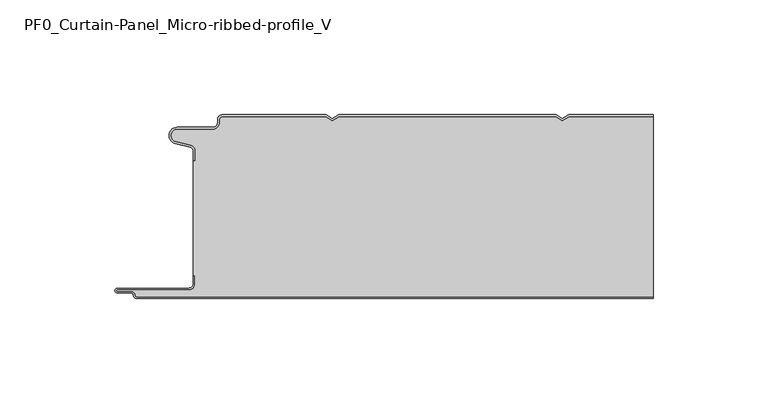
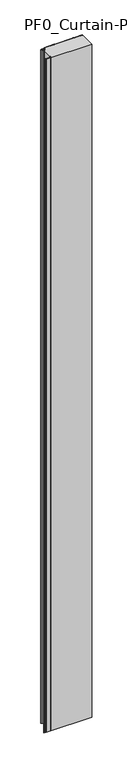
"""IFC4 building model written with IfcOpenShell, lengths in millimetres: plate geometry, PF0_Curtain-Panel_Micro-ribbed-profile_V."""

from ifc_helpers import new_model, si_unit, point, frame_2d, origin, origin_with_axes, place, context, project, spatial, polyline, circle_curve, trimmed, segment, composite_curve, outline, extrude, source, transform, mapped, element, save


def pf0_curtain_panel_micro_ribbed_profile_v_2d41a01c(model_context):
    return source(origin(), model_context, "Body", "SweptSolid", [
        extrude(outline(composite_curve([segment(trimmed(circle_curve(frame_2d((-102.0, -15.878557)), 2.0), [point((-100.0, -15.878557))], [point((-101.5500978, -13.9298169))], True, "CARTESIAN"), True, "CONTINUOUS"), segment(polyline([(-101.5500978, -13.9298169), (-107.7098239, -12.507732)]), True, "CONTINUOUS"), segment(trimmed(circle_curve(frame_2d((-106.9, -9.0)), 3.6), [point((-107.7098239, -12.507732))], [point((-106.9, -5.4))], False, "CARTESIAN"), True, "CONTINUOUS"), segment(polyline([(-106.9, -5.4), (-91.4, -5.4)]), True, "CONTINUOUS"), segment(trimmed(circle_curve(frame_2d((-91.4, -3.4)), 2.0), [point((-91.4, -5.4))], [point((-89.4, -3.4))], True, "CARTESIAN"), True, "CONTINUOUS"), segment(polyline([(-89.4, -3.4), (-89.4, -2.0)]), True, "CONTINUOUS"), segment(trimmed(circle_curve(frame_2d((-87.4, -2.0)), 2.0), [point((-89.4, -2.0))], [point((-87.4, 0.0))], False, "CARTESIAN"), True, "CONTINUOUS"), segment(polyline([(-87.4, 0.0), (-42.0999995, 0.0), (-39.4, -1.5588455), (-36.7000005, 0.0), (57.9000005, 0.0), (60.6, -1.5588455), (63.2999995, 0.0), (100.0, 0.0), (100.0, -0.8), (63.5143588, -0.8), (60.6, -2.482606), (57.6856412, -0.8), (-36.4856412, -0.8), (-39.4, -2.482606), (-42.3143588, -0.8), (-87.4, -0.8)]), True, "CONTINUOUS"), segment(trimmed(circle_curve(frame_2d((-87.4, -2.0)), 1.2), [point((-87.4, -0.8))], [point((-88.6, -2.0))], True, "CARTESIAN"), True, "CONTINUOUS"), segment(polyline([(-88.6, -2.0), (-88.6, -3.4)]), True, "CONTINUOUS"), segment(trimmed(circle_curve(frame_2d((-91.4, -3.4)), 2.8), [point((-88.6, -3.4))], [point((-91.4, -6.2))], False, "CARTESIAN"), True, "CONTINUOUS"), segment(polyline([(-91.4, -6.2), (-106.9, -6.2)]), True, "CONTINUOUS"), segment(trimmed(circle_curve(frame_2d((-106.9, -9.0)), 2.8), [point((-106.9, -6.2))], [point((-107.529863, -11.7282362))], True, "CARTESIAN"), True, "CONTINUOUS"), segment(polyline([(-107.529863, -11.7282362), (-101.370137, -13.150321)]), True, "CONTINUOUS"), segment(trimmed(circle_curve(frame_2d((-102.0, -15.878557)), 2.8), [point((-101.370137, -13.150321))], [point((-99.2, -15.878557))], False, "CARTESIAN"), True, "CONTINUOUS"), segment(polyline([(-99.2, -15.878557), (-99.2, -20.0), (-100.0, -20.0), (-100.0, -15.878557)]), True, "CONTINUOUS")], self_intersect=False)), origin_with_axes(), (0.0, 0.0, 1.0), 3500.0),
        extrude(outline(composite_curve([segment(polyline([(-99.2, -70.0), (-100.0, -70.0), (-100.0, -20.0), (-99.2, -20.0), (-99.2, -15.878557)]), True, "CONTINUOUS"), segment(trimmed(circle_curve(frame_2d((-102.0, -15.878557)), 2.8), [point((-99.2, -15.878557))], [point((-101.370137, -13.1503208))], True, "CARTESIAN"), True, "CONTINUOUS"), segment(polyline([(-101.370137, -13.1503208), (-107.529863, -11.7282362)]), True, "CONTINUOUS"), segment(trimmed(circle_curve(frame_2d((-106.9, -9.0)), 2.8), [point((-107.529863, -11.7282362))], [point((-106.9, -6.2))], False, "CARTESIAN"), True, "CONTINUOUS"), segment(polyline([(-106.9, -6.2), (-91.4, -6.2)]), True, "CONTINUOUS"), segment(trimmed(circle_curve(frame_2d((-91.4, -3.4)), 2.8), [point((-91.4, -6.2))], [point((-88.6, -3.4))], True, "CARTESIAN"), True, "CONTINUOUS"), segment(polyline([(-88.6, -3.4), (-88.6, -2.0)]), True, "CONTINUOUS"), segment(trimmed(circle_curve(frame_2d((-87.4, -2.0)), 1.2), [point((-88.6, -2.0))], [point((-87.4, -0.8))], False, "CARTESIAN"), True, "CONTINUOUS"), segment(polyline([(-87.4, -0.8), (-42.3143588, -0.8), (-39.4, -2.482606), (-36.4856412, -0.8), (57.6856412, -0.8), (60.6, -2.482606), (63.5143588, -0.8), (100.0, -0.8), (100.0, -79.2), (-124.4, -79.2)]), True, "CONTINUOUS"), segment(trimmed(circle_curve(frame_2d((-124.4, -78.4)), 0.8), [point((-124.4, -79.2))], [point((-125.2, -78.4))], False, "CARTESIAN"), True, "CONTINUOUS"), segment(trimmed(circle_curve(frame_2d((-126.9, -78.6133333)), 1.7133333), [point((-125.2, -78.4))], [point((-126.9, -76.9))], True, "CARTESIAN"), True, "CONTINUOUS"), segment(polyline([(-126.9, -76.9), (-132.8700312, -76.9)]), True, "CONTINUOUS"), segment(trimmed(circle_curve(frame_2d((-132.8700312, -76.6)), 0.3), [point((-132.8700312, -76.9))], [point((-132.8700312, -76.3))], False, "CARTESIAN"), True, "CONTINUOUS"), segment(polyline([(-132.8700312, -76.3), (-102.0, -76.3)]), True, "CONTINUOUS"), segment(trimmed(circle_curve(frame_2d((-102.0, -73.5)), 2.8), [point((-102.0, -76.3))], [point((-99.2, -73.5))], True, "CARTESIAN"), True, "CONTINUOUS"), segment(polyline([(-99.2, -73.5), (-99.2, -70.0)]), True, "CONTINUOUS")], self_intersect=False)), origin_with_axes(), (0.0, 0.0, 1.0), 3500.0),
        extrude(outline(composite_curve([segment(polyline([(-100.0, -70.0), (-99.2, -70.0), (-99.2, -73.5)]), True, "CONTINUOUS"), segment(trimmed(circle_curve(frame_2d((-102.0, -73.5)), 2.8), [point((-99.2, -73.5))], [point((-102.0, -76.3))], False, "CARTESIAN"), True, "CONTINUOUS"), segment(polyline([(-102.0, -76.3), (-132.8700312, -76.3)]), True, "CONTINUOUS"), segment(trimmed(circle_curve(frame_2d((-132.8700312, -76.6)), 0.3), [point((-132.8700312, -76.3))], [point((-132.8700312, -76.9))], True, "CARTESIAN"), True, "CONTINUOUS"), segment(polyline([(-132.8700312, -76.9), (-126.9, -76.9)]), True, "CONTINUOUS"), segment(trimmed(circle_curve(frame_2d((-126.9, -78.6133333)), 1.7133333), [point((-126.9, -76.9))], [point((-125.2, -78.4))], False, "CARTESIAN"), True, "CONTINUOUS"), segment(trimmed(circle_curve(frame_2d((-124.4, -78.4)), 0.8), [point((-125.2, -78.4))], [point((-124.4, -79.2))], True, "CARTESIAN"), True, "CONTINUOUS"), segment(polyline([(-124.4, -79.2), (100.0, -79.2), (100.0, -80.0), (-124.4, -80.0)]), True, "CONTINUOUS"), segment(trimmed(circle_curve(frame_2d((-124.4, -78.4)), 1.6), [point((-124.4, -80.0))], [point((-126.0, -78.4))], False, "CARTESIAN"), True, "CONTINUOUS"), segment(trimmed(circle_curve(frame_2d((-126.9, -78.4)), 0.9), [point((-126.0, -78.4))], [point((-126.9, -77.5))], True, "CARTESIAN"), True, "CONTINUOUS"), segment(polyline([(-126.9, -77.5), (-133.0, -77.5)]), True, "CONTINUOUS"), segment(trimmed(circle_curve(frame_2d((-133.0, -76.5)), 1.0), [point((-133.0, -77.5))], [point((-133.0, -75.5))], False, "CARTESIAN"), True, "CONTINUOUS"), segment(polyline([(-133.0, -75.5), (-102.0, -75.5)]), True, "CONTINUOUS"), segment(trimmed(circle_curve(frame_2d((-102.0, -73.5)), 2.0), [point((-102.0, -75.5))], [point((-100.0, -73.5))], True, "CARTESIAN"), True, "CONTINUOUS"), segment(polyline([(-100.0, -73.5), (-100.0, -70.0)]), True, "CONTINUOUS")], self_intersect=False)), origin_with_axes(), (0.0, 0.0, 1.0), 3500.0),
    ])


if __name__ == "__main__":
    model = new_model("IFC4")
    model_context = context("Model", 3, world=origin())
    ifc_project = project(units=[si_unit("LENGTHUNIT", "METRE", prefix="MILLI")], contexts=[model_context])
    site = spatial("IfcSite", under=ifc_project)
    building = spatial("IfcBuilding", under=site)
    placement = place(None, origin())
    pf0_curtain_panel_micro_ribbed_profile_v_shape = pf0_curtain_panel_micro_ribbed_profile_v_2d41a01c(model_context)
    element("IfcPlate", 1, ObjectType="PF0_Curtain-Panel_Micro-ribbed-profile_V", at=placement, inside=building, context=model_context, shape_type="MappedRepresentation", body=[
        mapped(pf0_curtain_panel_micro_ribbed_profile_v_shape, transform((0.0, 0.0, 0.0), x_axis=(1.0, 0.0, 0.0), y_axis=(0.0, 1.0, 0.0), z_axis=(0.0, 0.0, 1.0))),
    ])
    save(model, "model.ifc")
